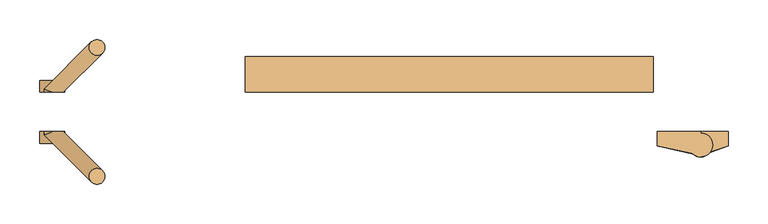
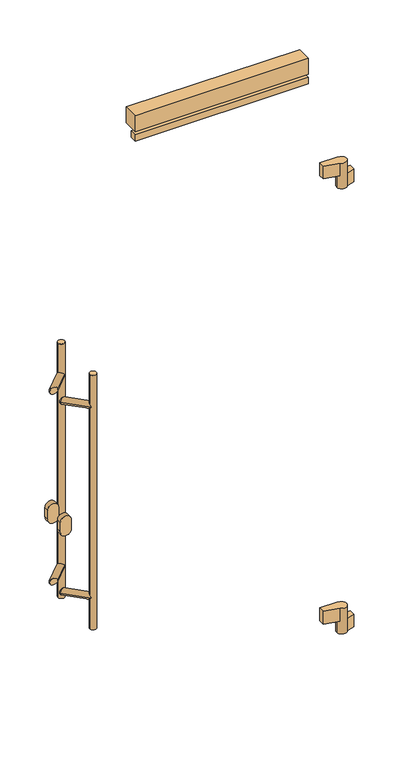
"""IFC4 building model written with IfcOpenShell, lengths in millimetres: door geometry."""

from ifc_helpers import new_model, si_unit, point, frame, frame_2d, origin, place, context, project, spatial, polyline, circle_curve, ellipse_curve, trimmed, segment, composite_curve, outline, extrude, source, transform, mapped, element, save
from ifc_brep_helpers import plane_surface, cylinder_surface, advanced_brep


def door_e137ab82(model_context):
    return source(origin(), model_context, "Body", "SolidModel", [
        extrude(outline(polyline([(-622.0, 50.0), (-622.0, 95.0), (-107.0, 95.0), (-107.0, 50.0), (-622.0, 50.0)])), frame((0.0, 0.0, 2030.0), z_axis=(0.0, 0.0, 1.0), x_axis=(1.0, 0.0, 0.0)), (0.0, 0.0, 1.0), 50.0),
        extrude(outline(polyline([(-622.0, 50.0), (-622.0, 70.0), (-107.0, 70.0), (-107.0, 50.0), (-622.0, 50.0)])), frame((0.0, 0.0, 2000.0), z_axis=(0.0, 0.0, 1.0), x_axis=(1.0, 0.0, 0.0)), (0.0, 0.0, 1.0), 20.0),
        advanced_brep(
        [(-102.0, 0.0, 380.0), (-102.0, -18.0, 380.0), (-57.5040029, -27.7082175, 380.0), (-32.0, -17.0, 380.0), (-47.0, -2.0, 380.0), (-47.0, 0.0, 380.0), (-62.0, -17.0, 300.0), (-47.0, -2.0, 300.0), (-47.0, 0.0, 300.0), (-12.0, 0.0, 300.0), (-12.0, -18.0, 300.0), (-34.8866516, -25.846852, 300.0), (-32.0, -17.0, 340.0), (-47.0, -2.0, 340.0), (-62.0, -17.0, 340.0), (-47.0, -2.0, 340.0), (-57.5040029, -27.7082175, 340.0), (-34.8866516, -25.846852, 340.0), (-102.0, 0.0, 340.0), (-47.0, 0.0, 340.0), (-102.0, -18.0, 340.0), (-12.0, -18.0, 340.0), (-12.0, 0.0, 340.0)],
        [
            (0, 1),
            (1, 2),
            (2, 3, circle_curve(frame((-47.0, -17.0, 380.0), z_axis=(0.0, 0.0, 1.0), x_axis=(1.0, 0.0, 0.0)), 15.0)),
            (3, 4, circle_curve(frame((-47.0, -17.0, 380.0), z_axis=(0.0, 0.0, 1.0), x_axis=(1.0, 0.0, 0.0)), 15.0)),
            (4, 5),
            (5, 0),
            (6, 7, circle_curve(frame((-47.0, -17.0, 300.0), z_axis=(0.0, 0.0, -1.0), x_axis=(1.0, 0.0, 0.0)), 15.0)),
            (7, 8),
            (8, 9),
            (9, 10),
            (10, 11),
            (11, 6, circle_curve(frame((-47.0, -17.0, 300.0), z_axis=(0.0, 0.0, -1.0), x_axis=(1.0, 0.0, 0.0)), 15.0)),
            (3, 12),
            (12, 13, circle_curve(frame((-47.0, -17.0, 340.0), z_axis=(0.0, 0.0, 1.0), x_axis=(1.0, 0.0, 0.0)), 15.0)),
            (13, 4),
            (14, 15, circle_curve(frame((-47.0, -17.0, 340.0), z_axis=(0.0, 0.0, -1.0), x_axis=(1.0, 0.0, 0.0)), 15.0)),
            (15, 7),
            (6, 14),
            (2, 16),
            (16, 14, circle_curve(frame((-47.0, -17.0, 340.0), z_axis=(0.0, 0.0, -1.0), x_axis=(1.0, 0.0, 0.0)), 15.0)),
            (11, 17),
            (17, 12, circle_curve(frame((-47.0, -17.0, 340.0), z_axis=(0.0, 0.0, 1.0), x_axis=(1.0, 0.0, 0.0)), 15.0)),
            (18, 19),
            (19, 15),
            (16, 20),
            (20, 18),
            (5, 19),
            (18, 0),
            (13, 19),
            (1, 20),
            (17, 21),
            (21, 22),
            (22, 19),
            (19, 8),
            (22, 9),
            (21, 10),
        ],
        [
            plane_surface(frame((-32.0, -17.0, 380.0), z_axis=(0.0, 0.0, 1.0), x_axis=(0.0, -1.0, 0.0))),
            plane_surface(frame((-32.0, -17.0, 300.0), z_axis=(0.0, 0.0, -1.0), x_axis=(0.0, 1.0, 0.0))),
            cylinder_surface(frame((-47.0, -17.0, 300.0), z_axis=(0.0, 0.0, 1.0), x_axis=(1.0, 0.0, 0.0)), 15.0),
            plane_surface(frame((-47.0, 0.0, 340.0), z_axis=(0.0, 0.0, -1.0), x_axis=(-1.0, 0.0, 0.0))),
            plane_surface(frame((-102.0, 0.0, 380.0), z_axis=(0.0, 1.0, 0.0), x_axis=(0.0, 0.0, -1.0))),
            plane_surface(frame((-47.0, 0.0, 380.0), z_axis=(1.0, 0.0, 0.0), x_axis=(0.0, 0.0, -1.0))),
            plane_surface(frame((-47.0, -30.0, 380.0), z_axis=(-0.2131670752167251, -0.9770157614099924, 0.0), x_axis=(0.0, 0.0, -1.0))),
            plane_surface(frame((-102.0, -18.0, 380.0), z_axis=(-1.0, 0.0, 0.0), x_axis=(0.0, 0.0, -1.0))),
            plane_surface(frame((-47.0, 0.0, 340.0), z_axis=(0.0, 0.0, 1.0), x_axis=(0.0, 1.0, 0.0))),
            plane_surface(frame((-47.0, -30.0, 340.0), z_axis=(-1.0, 0.0, 0.0), x_axis=(0.0, 0.0, -1.0))),
            plane_surface(frame((-47.0, 0.0, 340.0), z_axis=(0.0, 1.0, 0.0), x_axis=(0.0, 0.0, -1.0))),
            plane_surface(frame((-12.0, 0.0, 340.0), z_axis=(1.0, 0.0, 0.0), x_axis=(0.0, 0.0, -1.0))),
            plane_surface(frame((-12.0, -18.0, 340.0), z_axis=(0.32432432432432523, -0.9459459459459457, 0.0), x_axis=(0.0, 0.0, -1.0))),
        ],
        [
            (0, [[1, 2, 3, 4, 5, 6]]),
            (1, [[7, 8, 9, 10, 11, 12]]),
            (2, [[13, 14, 15, -4]]),
            (2, [[16, 17, -7, 18]]),
            (2, [[19, 20, -18, -12, 21, 22, -13, -3]]),
            (3, [[23, 24, -16, -20, 25, 26]]),
            (4, [[27, -23, 28, -6]]),
            (5, [[-5, -15, 29, -27]]),
            (6, [[-25, -19, -2, 30]]),
            (7, [[-28, -26, -30, -1]]),
            (8, [[-29, -14, -22, 31, 32, 33]]),
            (9, [[-8, -17, -24, 34]]),
            (10, [[35, -9, -34, -33]]),
            (11, [[36, -10, -35, -32]]),
            (12, [[-31, -21, -11, -36]]),
        ],
    ),
        advanced_brep(
        [(-102.0, 0.0, 1780.0), (-102.0, -18.0, 1780.0), (-57.5040029, -27.7082175, 1780.0), (-32.0, -17.0, 1780.0), (-47.0, -2.0, 1780.0), (-47.0, 0.0, 1780.0), (-62.0, -17.0, 1700.0), (-47.0, -2.0, 1700.0), (-47.0, 0.0, 1700.0), (-12.0, 0.0, 1700.0), (-12.0, -18.0, 1700.0), (-34.8866516, -25.846852, 1700.0), (-32.0, -17.0, 1740.0), (-47.0, -2.0, 1740.0), (-62.0, -17.0, 1740.0), (-47.0, -2.0, 1740.0), (-57.5040029, -27.7082175, 1740.0), (-34.8866516, -25.846852, 1740.0), (-102.0, 0.0, 1740.0), (-47.0, 0.0, 1740.0), (-102.0, -18.0, 1740.0), (-12.0, -18.0, 1740.0), (-12.0, 0.0, 1740.0)],
        [
            (0, 1),
            (1, 2),
            (2, 3, circle_curve(frame((-47.0, -17.0, 1780.0), z_axis=(0.0, 0.0, 1.0), x_axis=(1.0, 0.0, 0.0)), 15.0)),
            (3, 4, circle_curve(frame((-47.0, -17.0, 1780.0), z_axis=(0.0, 0.0, 1.0), x_axis=(1.0, 0.0, 0.0)), 15.0)),
            (4, 5),
            (5, 0),
            (6, 7, circle_curve(frame((-47.0, -17.0, 1700.0), z_axis=(0.0, 0.0, -1.0), x_axis=(1.0, 0.0, 0.0)), 15.0)),
            (7, 8),
            (8, 9),
            (9, 10),
            (10, 11),
            (11, 6, circle_curve(frame((-47.0, -17.0, 1700.0), z_axis=(0.0, 0.0, -1.0), x_axis=(1.0, 0.0, 0.0)), 15.0)),
            (3, 12),
            (12, 13, circle_curve(frame((-47.0, -17.0, 1740.0), z_axis=(0.0, 0.0, 1.0), x_axis=(1.0, 0.0, 0.0)), 15.0)),
            (13, 4),
            (14, 15, circle_curve(frame((-47.0, -17.0, 1740.0), z_axis=(0.0, 0.0, -1.0), x_axis=(1.0, 0.0, 0.0)), 15.0)),
            (15, 7),
            (6, 14),
            (2, 16),
            (16, 14, circle_curve(frame((-47.0, -17.0, 1740.0), z_axis=(0.0, 0.0, -1.0), x_axis=(1.0, 0.0, 0.0)), 15.0)),
            (11, 17),
            (17, 12, circle_curve(frame((-47.0, -17.0, 1740.0), z_axis=(0.0, 0.0, 1.0), x_axis=(1.0, 0.0, 0.0)), 15.0)),
            (18, 19),
            (19, 15),
            (16, 20),
            (20, 18),
            (18, 0),
            (5, 19),
            (13, 19),
            (1, 20),
            (17, 21),
            (21, 22),
            (22, 19),
            (19, 8),
            (22, 9),
            (21, 10),
        ],
        [
            plane_surface(frame((-32.0, -17.0, 1780.0), z_axis=(0.0, 0.0, 1.0), x_axis=(0.0, -1.0, 0.0))),
            plane_surface(frame((-32.0, -17.0, 1700.0), z_axis=(0.0, 0.0, -1.0), x_axis=(0.0, 1.0, 0.0))),
            cylinder_surface(frame((-47.0, -17.0, 1700.0), z_axis=(0.0, 0.0, 1.0), x_axis=(1.0, 0.0, 0.0)), 15.0),
            plane_surface(frame((-47.0, 0.0, 1740.0), z_axis=(0.0, 0.0, -1.0), x_axis=(-1.0, 0.0, 0.0))),
            plane_surface(frame((-102.0, 0.0, 1780.0), z_axis=(0.0, 1.0, 0.0), x_axis=(0.0, 0.0, -1.0))),
            plane_surface(frame((-47.0, 0.0, 1780.0), z_axis=(1.0, 0.0, 0.0), x_axis=(0.0, 0.0, -1.0))),
            plane_surface(frame((-47.0, -30.0, 1780.0), z_axis=(-0.2131670752167257, -0.9770157614099922, 0.0), x_axis=(0.0, 0.0, -1.0))),
            plane_surface(frame((-102.0, -18.0, 1780.0), z_axis=(-1.0, 0.0, 0.0), x_axis=(0.0, 0.0, -1.0))),
            plane_surface(frame((-47.0, 0.0, 1740.0), z_axis=(0.0, 0.0, 1.0), x_axis=(0.0, 1.0, 0.0))),
            plane_surface(frame((-47.0, -30.0, 1740.0), z_axis=(-1.0, 0.0, 0.0), x_axis=(0.0, 0.0, -1.0))),
            plane_surface(frame((-47.0, 0.0, 1740.0), z_axis=(0.0, 1.0, 0.0), x_axis=(0.0, 0.0, -1.0))),
            plane_surface(frame((-12.0, 0.0, 1740.0), z_axis=(1.0, 0.0, 0.0), x_axis=(0.0, 0.0, -1.0))),
            plane_surface(frame((-12.0, -18.0, 1740.0), z_axis=(0.32432432432432523, -0.9459459459459457, 0.0), x_axis=(0.0, 0.0, -1.0))),
        ],
        [
            (0, [[1, 2, 3, 4, 5, 6]]),
            (1, [[7, 8, 9, 10, 11, 12]]),
            (2, [[13, 14, 15, -4]]),
            (2, [[16, 17, -7, 18]]),
            (2, [[19, 20, -18, -12, 21, 22, -13, -3]]),
            (3, [[23, 24, -16, -20, 25, 26]]),
            (4, [[27, -6, 28, -23]]),
            (5, [[-5, -15, 29, -28]]),
            (6, [[-25, -19, -2, 30]]),
            (7, [[-30, -1, -27, -26]]),
            (8, [[-29, -14, -22, 31, 32, 33]]),
            (9, [[-8, -17, -24, 34]]),
            (10, [[-34, -33, 35, -9]]),
            (11, [[-35, -32, 36, -10]]),
            (12, [[-31, -21, -11, -36]]),
        ],
    ),
        advanced_brep(
        [(-819.4314575, -56.5685425, 1400.0), (-799.4314575, -56.5685425, 1400.0), (-819.4314575, -56.5685425, 600.0), (-799.4314575, -56.5685425, 600.0), (-819.4314575, -56.5685425, 692.9289322), (-802.3603897, -49.4974747, 700.0), (-819.4314575, -56.5685425, 707.0710678), (-819.4314575, -56.5685425, 1292.9289322), (-802.3603897, -49.4974747, 1300.0), (-819.4314575, -56.5685425, 1307.0710678), (-816.5025253, -63.6396103, 1300.0), (-816.5025253, -63.6396103, 700.0), (-866.0, 0.0, 710.0), (-876.0, 0.0, 700.0), (-876.0, -4.1421356, 700.0), (-866.0, 0.0, 690.0), (-851.8578644, 0.0, 700.0), (-866.0, 0.0, 1310.0), (-876.0, 0.0, 1300.0), (-876.0, -4.1421356, 1300.0), (-866.0, 0.0, 1290.0), (-851.8578644, 0.0, 1300.0)],
        [
            (0, 1, circle_curve(frame((-809.4314575, -56.5685425, 1400.0), z_axis=(0.0, 0.0, 1.0), x_axis=(1.0, 0.0, 0.0)), 10.0)),
            (1, 0, circle_curve(frame((-809.4314575, -56.5685425, 1400.0), z_axis=(0.0, 0.0, 1.0), x_axis=(1.0, 0.0, 0.0)), 10.0)),
            (2, 3, circle_curve(frame((-809.4314575, -56.5685425, 600.0), z_axis=(0.0, 0.0, -1.0), x_axis=(1.0, 0.0, 0.0)), 10.0)),
            (3, 2, circle_curve(frame((-809.4314575, -56.5685425, 600.0), z_axis=(0.0, 0.0, -1.0), x_axis=(1.0, 0.0, 0.0)), 10.0)),
            (1, 3),
            (2, 4),
            (4, 5, ellipse_curve(frame((-809.4314575, -56.5685425, 700.0), z_axis=(0.5000000000000154, -0.49999999999998673, -0.7071067811865459), x_axis=(0.500000000000011, -0.49999999999998673, 0.7071067811865491)), 14.1421356, 10.0)),
            (5, 6, ellipse_curve(frame((-809.4314575, -56.5685425, 700.0), z_axis=(0.5000000000000111, -0.49999999999998673, 0.707106781186549), x_axis=(-0.5000000000000154, 0.4999999999999866, 0.707106781186546)), 14.1421356, 10.0)),
            (6, 7),
            (7, 8, ellipse_curve(frame((-809.4314575, -56.5685425, 1300.0), z_axis=(0.5000000000000154, -0.49999999999998673, -0.7071067811865459), x_axis=(0.500000000000011, -0.49999999999998673, 0.7071067811865491)), 14.1421356, 10.0)),
            (8, 9, ellipse_curve(frame((-809.4314575, -56.5685425, 1300.0), z_axis=(0.5000000000000111, -0.49999999999998673, 0.707106781186549), x_axis=(-0.5000000000000154, 0.4999999999999866, 0.707106781186546)), 14.1421356, 10.0)),
            (9, 0),
            (9, 10, ellipse_curve(frame((-809.4314575, -56.5685425, 1300.0), z_axis=(0.5000000000000111, -0.49999999999998673, 0.707106781186549), x_axis=(-0.5000000000000154, 0.4999999999999866, 0.707106781186546)), 14.1421356, 10.0)),
            (10, 7, ellipse_curve(frame((-809.4314575, -56.5685425, 1300.0), z_axis=(0.5000000000000154, -0.49999999999998673, -0.7071067811865459), x_axis=(0.500000000000011, -0.49999999999998673, 0.7071067811865491)), 14.1421356, 10.0)),
            (6, 11, ellipse_curve(frame((-809.4314575, -56.5685425, 700.0), z_axis=(0.5000000000000111, -0.49999999999998673, 0.707106781186549), x_axis=(-0.5000000000000154, 0.4999999999999866, 0.707106781186546)), 14.1421356, 10.0)),
            (11, 4, ellipse_curve(frame((-809.4314575, -56.5685425, 700.0), z_axis=(0.5000000000000154, -0.49999999999998673, -0.7071067811865459), x_axis=(0.500000000000011, -0.49999999999998673, 0.7071067811865491)), 14.1421356, 10.0)),
            (12, 13, circle_curve(frame((-866.0, 0.0, 700.0), z_axis=(0.0, -1.0, 0.0), x_axis=(-1.0, 0.0, 0.0)), 10.0)),
            (13, 14),
            (14, 12, ellipse_curve(frame((-866.0, 0.0, 700.0), z_axis=(-0.38268343236510194, 0.9238795325112816, 0.0), x_axis=(0.9238795325112815, 0.38268343236510216, 0.0)), 10.823922, 10.0)),
            (13, 15, circle_curve(frame((-866.0, 0.0, 700.0), z_axis=(0.0, -1.0, 0.0), x_axis=(-1.0, 0.0, 0.0)), 10.0)),
            (15, 14, ellipse_curve(frame((-866.0, 0.0, 700.0), z_axis=(-0.38268343236510194, 0.9238795325112816, 0.0), x_axis=(0.9238795325112815, 0.38268343236510216, 0.0)), 10.823922, 10.0)),
            (5, 16),
            (16, 12, ellipse_curve(frame((-866.0, 0.0, 700.0), z_axis=(0.0, -1.0, 0.0), x_axis=(-1.0, 0.0, 0.0)), 14.1421356, 10.0)),
            (14, 11),
            (15, 16, ellipse_curve(frame((-866.0, 0.0, 700.0), z_axis=(0.0, -1.0, 0.0), x_axis=(-1.0, 0.0, 0.0)), 14.1421356, 10.0)),
            (17, 18, circle_curve(frame((-866.0, 0.0, 1300.0), z_axis=(0.0, -1.0, 0.0), x_axis=(-1.0, 0.0, 0.0)), 10.0)),
            (18, 19),
            (19, 17, ellipse_curve(frame((-866.0, 0.0, 1300.0), z_axis=(-0.38268343236510194, 0.9238795325112816, 0.0), x_axis=(0.9238795325112815, 0.38268343236510216, 0.0)), 10.823922, 10.0)),
            (18, 20, circle_curve(frame((-866.0, 0.0, 1300.0), z_axis=(0.0, -1.0, 0.0), x_axis=(-1.0, 0.0, 0.0)), 10.0)),
            (20, 19, ellipse_curve(frame((-866.0, 0.0, 1300.0), z_axis=(-0.38268343236510194, 0.9238795325112816, 0.0), x_axis=(0.9238795325112815, 0.38268343236510216, 0.0)), 10.823922, 10.0)),
            (8, 21),
            (21, 17, ellipse_curve(frame((-866.0, 0.0, 1300.0), z_axis=(0.0, -1.0, 0.0), x_axis=(-1.0, 0.0, 0.0)), 14.1421356, 10.0)),
            (19, 10),
            (20, 21, ellipse_curve(frame((-866.0, 0.0, 1300.0), z_axis=(0.0, -1.0, 0.0), x_axis=(-1.0, 0.0, 0.0)), 14.1421356, 10.0)),
        ],
        [
            plane_surface(frame((-799.4314575, -56.5685425, 1400.0), z_axis=(0.0, 0.0, 1.0), x_axis=(0.0, -1.0, 0.0))),
            plane_surface(frame((-799.4314575, -56.5685425, 600.0), z_axis=(0.0, 0.0, -1.0), x_axis=(0.0, 1.0, 0.0))),
            cylinder_surface(frame((-809.4314575, -56.5685425, 600.0), z_axis=(0.0, 0.0, 1.0), x_axis=(1.0, 0.0, 0.0)), 10.0),
            cylinder_surface(frame((-866.0, 50.0, 700.0), z_axis=(0.0, 1.0, 0.0), x_axis=(-1.0, 0.0, 0.0)), 10.0),
            cylinder_surface(frame((-866.0, 0.0, 700.0), z_axis=(-0.7071067811865663, 0.7071067811865288, 0.0), x_axis=(-0.7071067811865288, -0.7071067811865663, 0.0)), 10.0),
            cylinder_surface(frame((-866.0, 50.0, 1300.0), z_axis=(0.0, 1.0, 0.0), x_axis=(-1.0, 0.0, 0.0)), 10.0),
            cylinder_surface(frame((-866.0, 0.0, 1300.0), z_axis=(-0.7071067811865663, 0.7071067811865288, 0.0), x_axis=(-0.7071067811865288, -0.7071067811865663, 0.0)), 10.0),
            plane_surface(frame((-896.0, 0.0, 650.0), z_axis=(0.0, 1.0, 0.0), x_axis=(0.0, 0.0, 1.0))),
        ],
        [
            (0, [[1, 2]]),
            (1, [[3, 4]]),
            (2, [[5, -3, 6, 7, 8, 9, 10, 11, 12, -2]]),
            (2, [[-12, 13, 14, -9, 15, 16, -6, -4, -5, -1]]),
            (3, [[17, 18, 19]]),
            (3, [[20, 21, -18]]),
            (4, [[-15, -8, 22, 23, -19, 24]]),
            (4, [[-21, 25, -22, -7, -16, -24]]),
            (5, [[26, 27, 28]]),
            (5, [[29, 30, -27]]),
            (6, [[-13, -11, 31, 32, -28, 33]]),
            (6, [[-30, 34, -31, -10, -14, -33]]),
            (7, [[-23, -25, -20, -17]]),
            (7, [[-32, -34, -29, -26]]),
        ],
    ),
        advanced_brep(
        [(-819.4314575, 106.5685425, 1400.0), (-799.4314575, 106.5685425, 1400.0), (-819.4314575, 106.5685425, 600.0), (-799.4314575, 106.5685425, 600.0), (-819.4314575, 106.5685425, 692.9289322), (-816.5025253, 113.6396103, 700.0), (-819.4314575, 106.5685425, 707.0710678), (-819.4314575, 106.5685425, 1292.9289322), (-816.5025253, 113.6396103, 1300.0), (-819.4314575, 106.5685425, 1307.0710678), (-802.3603897, 99.4974747, 1300.0), (-802.3603897, 99.4974747, 700.0), (-876.0, 54.1421356, 700.0), (-866.0, 50.0, 710.0), (-851.8578644, 50.0, 700.0), (-866.0, 50.0, 690.0), (-876.0, 50.0, 700.0), (-876.0, 54.1421356, 1300.0), (-866.0, 50.0, 1310.0), (-851.8578644, 50.0, 1300.0), (-866.0, 50.0, 1290.0), (-876.0, 50.0, 1300.0)],
        [
            (0, 1, circle_curve(frame((-809.4314575, 106.5685425, 1400.0), z_axis=(0.0, 0.0, 1.0), x_axis=(1.0, 0.0, 0.0)), 10.0)),
            (1, 0, circle_curve(frame((-809.4314575, 106.5685425, 1400.0), z_axis=(0.0, 0.0, 1.0), x_axis=(1.0, 0.0, 0.0)), 10.0)),
            (2, 3, circle_curve(frame((-809.4314575, 106.5685425, 600.0), z_axis=(0.0, 0.0, -1.0), x_axis=(1.0, 0.0, 0.0)), 10.0)),
            (3, 2, circle_curve(frame((-809.4314575, 106.5685425, 600.0), z_axis=(0.0, 0.0, -1.0), x_axis=(1.0, 0.0, 0.0)), 10.0)),
            (1, 3),
            (2, 4),
            (4, 5, ellipse_curve(frame((-809.4314575, 106.5685425, 700.0), z_axis=(0.4999999999999697, 0.500000000000032, -0.7071067811865464), x_axis=(0.49999999999996575, 0.5000000000000325, 0.7071067811865487)), 14.1421356, 10.0)),
            (5, 6, ellipse_curve(frame((-809.4314575, 106.5685425, 700.0), z_axis=(0.49999999999996586, 0.5000000000000325, 0.7071067811865487), x_axis=(-0.49999999999996975, -0.500000000000032, 0.7071067811865464)), 14.1421356, 10.0)),
            (6, 7),
            (7, 8, ellipse_curve(frame((-809.4314575, 106.5685425, 1300.0), z_axis=(0.4999999999999697, 0.500000000000032, -0.7071067811865464), x_axis=(0.49999999999996575, 0.5000000000000325, 0.7071067811865487)), 14.1421356, 10.0)),
            (8, 9, ellipse_curve(frame((-809.4314575, 106.5685425, 1300.0), z_axis=(0.49999999999996586, 0.5000000000000325, 0.7071067811865487), x_axis=(-0.49999999999996975, -0.500000000000032, 0.7071067811865464)), 14.1421356, 10.0)),
            (9, 0),
            (9, 10, ellipse_curve(frame((-809.4314575, 106.5685425, 1300.0), z_axis=(0.49999999999996586, 0.5000000000000325, 0.7071067811865487), x_axis=(-0.49999999999996975, -0.500000000000032, 0.7071067811865464)), 14.1421356, 10.0)),
            (10, 7, ellipse_curve(frame((-809.4314575, 106.5685425, 1300.0), z_axis=(0.4999999999999697, 0.500000000000032, -0.7071067811865464), x_axis=(0.49999999999996575, 0.5000000000000325, 0.7071067811865487)), 14.1421356, 10.0)),
            (6, 11, ellipse_curve(frame((-809.4314575, 106.5685425, 700.0), z_axis=(0.49999999999996586, 0.5000000000000325, 0.7071067811865487), x_axis=(-0.49999999999996975, -0.500000000000032, 0.7071067811865464)), 14.1421356, 10.0)),
            (11, 4, ellipse_curve(frame((-809.4314575, 106.5685425, 700.0), z_axis=(0.4999999999999697, 0.500000000000032, -0.7071067811865464), x_axis=(0.49999999999996575, 0.5000000000000325, 0.7071067811865487)), 14.1421356, 10.0)),
            (12, 13, ellipse_curve(frame((-866.0, 50.0, 700.0), z_axis=(0.3826834323650601, 0.9238795325112992, 0.0), x_axis=(0.9238795325112988, -0.38268343236506047, 0.0)), 10.823922, 10.0)),
            (13, 14, ellipse_curve(frame((-866.0, 50.0, 700.0), z_axis=(0.0, 1.0, 0.0), x_axis=(1.0, 0.0, 0.0)), 14.1421356, 10.0)),
            (14, 11),
            (5, 12),
            (14, 15, ellipse_curve(frame((-866.0, 50.0, 700.0), z_axis=(0.0, 1.0, 0.0), x_axis=(1.0, 0.0, 0.0)), 14.1421356, 10.0)),
            (15, 12, ellipse_curve(frame((-866.0, 50.0, 700.0), z_axis=(0.3826834323650601, 0.9238795325112992, 0.0), x_axis=(0.9238795325112988, -0.38268343236506047, 0.0)), 10.823922, 10.0)),
            (12, 16),
            (16, 13, circle_curve(frame((-866.0, 50.0, 700.0), z_axis=(0.0, 1.0, 0.0), x_axis=(-1.0, 0.0, 0.0)), 10.0)),
            (15, 16, circle_curve(frame((-866.0, 50.0, 700.0), z_axis=(0.0, 1.0, 0.0), x_axis=(-1.0, 0.0, 0.0)), 10.0)),
            (17, 18, ellipse_curve(frame((-866.0, 50.0, 1300.0), z_axis=(0.3826834323650601, 0.9238795325112992, 0.0), x_axis=(0.9238795325112988, -0.38268343236506047, 0.0)), 10.823922, 10.0)),
            (18, 19, ellipse_curve(frame((-866.0, 50.0, 1300.0), z_axis=(0.0, 1.0, 0.0), x_axis=(1.0, 0.0, 0.0)), 14.1421356, 10.0)),
            (19, 10),
            (8, 17),
            (19, 20, ellipse_curve(frame((-866.0, 50.0, 1300.0), z_axis=(0.0, 1.0, 0.0), x_axis=(1.0, 0.0, 0.0)), 14.1421356, 10.0)),
            (20, 17, ellipse_curve(frame((-866.0, 50.0, 1300.0), z_axis=(0.3826834323650601, 0.9238795325112992, 0.0), x_axis=(0.9238795325112988, -0.38268343236506047, 0.0)), 10.823922, 10.0)),
            (17, 21),
            (21, 18, circle_curve(frame((-866.0, 50.0, 1300.0), z_axis=(0.0, 1.0, 0.0), x_axis=(-1.0, 0.0, 0.0)), 10.0)),
            (20, 21, circle_curve(frame((-866.0, 50.0, 1300.0), z_axis=(0.0, 1.0, 0.0), x_axis=(-1.0, 0.0, 0.0)), 10.0)),
        ],
        [
            plane_surface(frame((-799.4314575, -56.5685425, 1400.0), z_axis=(0.0, 0.0, 1.0), x_axis=(0.0, -1.0, 0.0))),
            plane_surface(frame((-799.4314575, -56.5685425, 600.0), z_axis=(0.0, 0.0, -1.0), x_axis=(0.0, 1.0, 0.0))),
            cylinder_surface(frame((-809.4314575, 106.5685425, 1000.0), z_axis=(0.0, 0.0, 1.0), x_axis=(1.0, 0.0, 0.0)), 10.0),
            cylinder_surface(frame((-809.4314575, 106.5685425, 700.0), z_axis=(0.707106781186502, 0.7071067811865932, 0.0), x_axis=(-0.7071067811865932, 0.707106781186502, 0.0)), 10.0),
            cylinder_surface(frame((-866.0, 50.0, 700.0), z_axis=(0.0, 1.0, 0.0), x_axis=(-1.0, 0.0, 0.0)), 10.0),
            cylinder_surface(frame((-809.4314575, 106.5685425, 1300.0), z_axis=(0.707106781186502, 0.7071067811865932, 0.0), x_axis=(-0.7071067811865932, 0.707106781186502, 0.0)), 10.0),
            cylinder_surface(frame((-866.0, 50.0, 1300.0), z_axis=(0.0, 1.0, 0.0), x_axis=(-1.0, 0.0, 0.0)), 10.0),
            plane_surface(frame((-836.0, 50.0, 650.0), z_axis=(0.0, -1.0, 0.0), x_axis=(0.0, 0.0, 1.0))),
        ],
        [
            (0, [[1, 2]]),
            (1, [[3, 4]]),
            (2, [[5, -3, 6, 7, 8, 9, 10, 11, 12, -2]]),
            (2, [[-12, 13, 14, -9, 15, 16, -6, -4, -5, -1]]),
            (3, [[17, 18, 19, -15, -8, 20]]),
            (3, [[-7, -16, -19, 21, 22, -20]]),
            (4, [[23, 24, -17]]),
            (4, [[25, -23, -22]]),
            (5, [[26, 27, 28, -13, -11, 29]]),
            (5, [[-10, -14, -28, 30, 31, -29]]),
            (6, [[32, 33, -26]]),
            (6, [[34, -32, -31]]),
            (7, [[-24, -25, -21, -18]]),
            (7, [[-33, -34, -30, -27]]),
        ],
    ),
        extrude(outline(composite_curve([segment(polyline([(930.0, -882.0), (900.0, -882.0)]), True, "CONTINUOUS"), segment(trimmed(circle_curve(frame_2d((900.0, -866.0)), 16.0), [point((900.0, -882.0))], [point((900.0, -850.0))], False, "CARTESIAN"), True, "CONTINUOUS"), segment(polyline([(900.0, -850.0), (930.0, -850.0)]), True, "CONTINUOUS"), segment(trimmed(circle_curve(frame_2d((930.0, -866.0)), 16.0), [point((930.0, -850.0))], [point((930.0, -882.0))], False, "CARTESIAN"), True, "CONTINUOUS")], self_intersect=False)), frame((0.0, -15.0, 0.0), z_axis=(0.0, 1.0, 0.0), x_axis=(0.0, 0.0, 1.0)), (0.0, 0.0, 1.0), 15.0),
        extrude(outline(composite_curve([segment(polyline([(900.0, -850.0), (930.0, -850.0)]), True, "CONTINUOUS"), segment(trimmed(circle_curve(frame_2d((930.0, -866.0)), 16.0), [point((930.0, -850.0))], [point((930.0, -882.0))], False, "CARTESIAN"), True, "CONTINUOUS"), segment(polyline([(930.0, -882.0), (900.0, -882.0)]), True, "CONTINUOUS"), segment(trimmed(circle_curve(frame_2d((900.0, -866.0)), 16.0), [point((900.0, -882.0))], [point((900.0, -850.0))], False, "CARTESIAN"), True, "CONTINUOUS")], self_intersect=False)), frame((0.0, 50.0, 0.0), z_axis=(0.0, 1.0, 0.0), x_axis=(0.0, 0.0, 1.0)), (0.0, 0.0, 1.0), 15.0),
    ])


if __name__ == "__main__":
    model = new_model("IFC4")
    model_context = context("Model", 3, world=origin())
    ifc_project = project(units=[si_unit("LENGTHUNIT", "METRE", prefix="MILLI")], contexts=[model_context])
    site = spatial("IfcSite", under=ifc_project)
    building = spatial("IfcBuilding", under=site)
    placement = place(None, origin())
    door_shape = door_e137ab82(model_context)
    element("IfcDoor", 1, at=placement, inside=building, context=model_context, shape_type="MappedRepresentation", body=[
        mapped(door_shape, transform((0.0, 0.0, 0.0), x_axis=(1.0, 0.0, 0.0), y_axis=(0.0, 1.0, 0.0), z_axis=(0.0, 0.0, 1.0))),
    ])
    save(model, "model.ifc")
